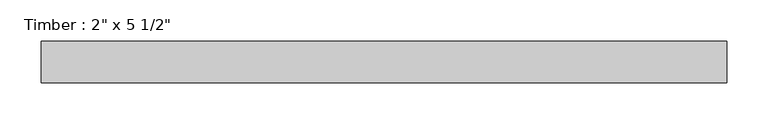
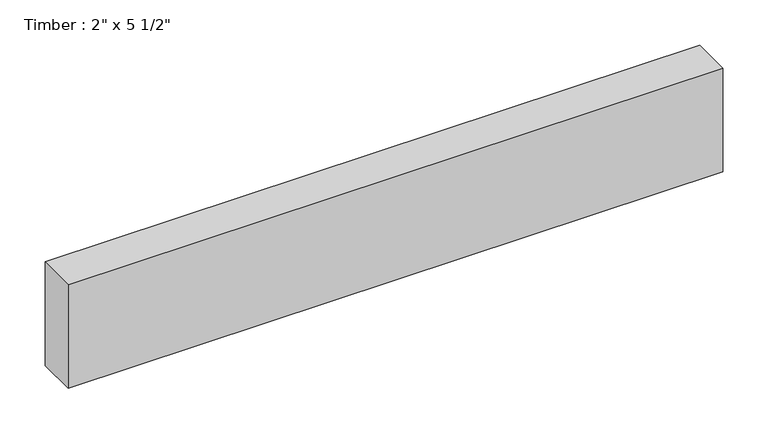
"""IFC4 building model written with IfcOpenShell, lengths in millimetres: beam geometry."""

from ifc_helpers import new_model, si_unit, frame, origin, place, context, project, spatial, polyline, outline, extrude, source, transform, mapped, element, save


def beam_7a4ca078(model_context):
    return source(origin(), model_context, "Body", "SweptSolid", [
        extrude(outline(polyline([(455.4574511, 25.4), (455.4574511, -25.4), (-379.4370741, -25.4), (-379.4370741, 25.4), (455.4574511, 25.4)])), frame((0.0, 0.0, -69.85), z_axis=(0.0, 0.0, 1.0), x_axis=(1.0, 0.0, 0.0)), (0.0, 0.0, 1.0), 139.7),
    ])


if __name__ == "__main__":
    model = new_model("IFC4")
    model_context = context("Model", 3, world=origin())
    ifc_project = project(units=[si_unit("LENGTHUNIT", "METRE", prefix="MILLI")], contexts=[model_context])
    site = spatial("IfcSite", under=ifc_project)
    building = spatial("IfcBuilding", under=site)
    placement = place(None, origin())
    beam_shape = beam_7a4ca078(model_context)
    element("IfcBeam", 1, ObjectType="Timber : 2\" x 5 1/2\"", at=placement, inside=building, context=model_context, shape_type="MappedRepresentation", body=[
        mapped(beam_shape, transform((0.0, 0.0, 0.0), x_axis=(1.0, 0.0, 0.0), y_axis=(0.0, 1.0, 0.0), z_axis=(0.0, 0.0, 1.0))),
    ])
    save(model, "model.ifc")
